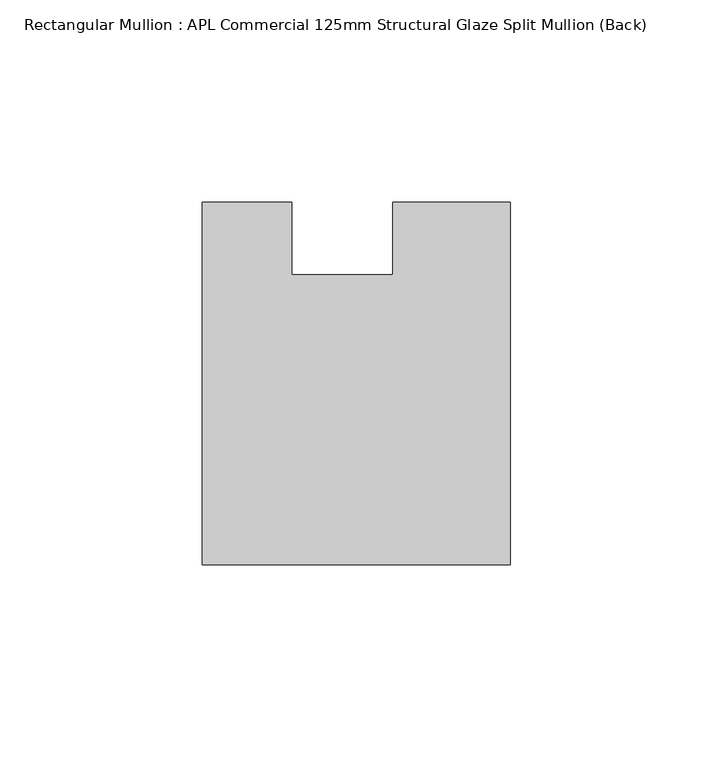
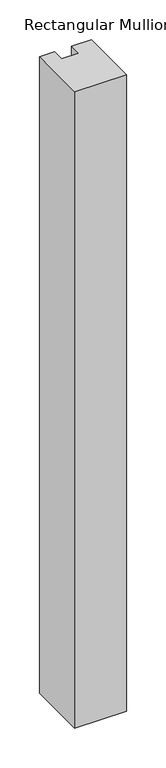
"""IFC4 building model written with IfcOpenShell, lengths in millimetres: member geometry, Rectangular Mullion : APL Commercial 125mm Structural Glaze Split Mullion (Back)."""

from ifc_helpers import new_model, si_unit, frame, origin, place, context, project, spatial, polyline, outline, extrude, source, transform, mapped, element, save


def rectangular_mullion_apl_commercial_125mm_structural_glaze_b7d3cc95(model_context):
    return source(origin(), model_context, "Body", "SweptSolid", [
        extrude(outline(polyline([(37.9999914, -104.4960123), (-37.9999896, -104.4960123), (-37.9999896, -14.9960123), (-16.0, -14.9960123), (-16.0, -32.7960123), (9.0, -32.7960123), (9.0, -14.9960123), (37.9999914, -14.9960123), (37.9999914, -104.4960123)])), frame((0.0, 0.0, -983.7033268), z_axis=(0.0, 0.0, 1.0), x_axis=(1.0, 0.0, 0.0)), (0.0, 0.0, 1.0), 983.7033268),
    ])


if __name__ == "__main__":
    model = new_model("IFC4")
    model_context = context("Model", 3, world=origin())
    ifc_project = project(units=[si_unit("LENGTHUNIT", "METRE", prefix="MILLI")], contexts=[model_context])
    site = spatial("IfcSite", under=ifc_project)
    building = spatial("IfcBuilding", under=site)
    placement = place(None, origin())
    rectangular_mullion_apl_commercial_125mm_structural_glaze_shape = rectangular_mullion_apl_commercial_125mm_structural_glaze_b7d3cc95(model_context)
    element("IfcMember", 1, ObjectType="Rectangular Mullion : APL Commercial 125mm Structural Glaze Split Mullion (Back)", at=placement, inside=building, context=model_context, shape_type="MappedRepresentation", body=[
        mapped(rectangular_mullion_apl_commercial_125mm_structural_glaze_shape, transform((0.0, 0.0, 0.0), x_axis=(1.0, 0.0, 0.0), y_axis=(0.0, 1.0, 0.0), z_axis=(0.0, 0.0, 1.0))),
    ])
    save(model, "model.ifc")
